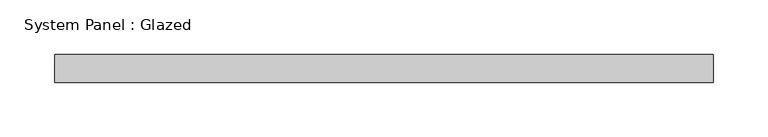
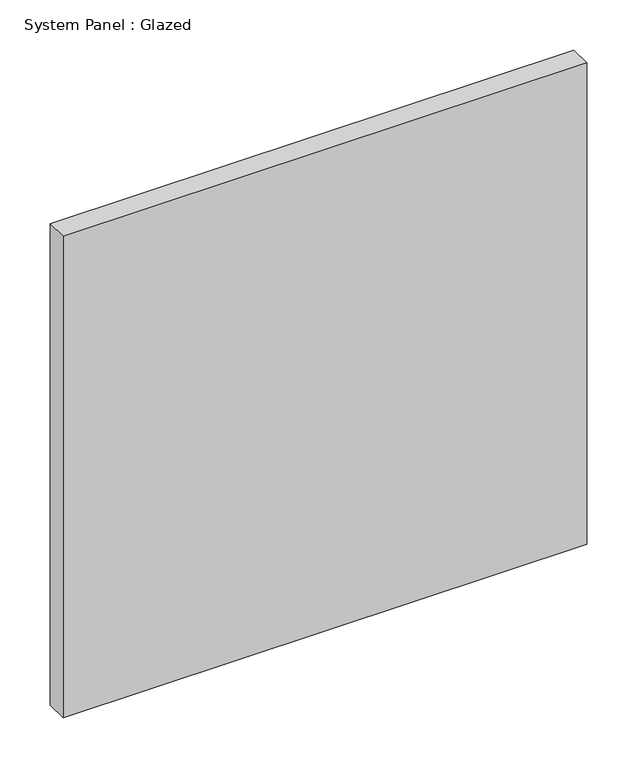
"""IFC4 building model written with IfcOpenShell, lengths in millimetres: plate geometry, System Panel : Glazed."""

from ifc_helpers import new_model, si_unit, origin, origin_with_axes, place, context, project, spatial, polyline, outline, extrude, source, transform, mapped, element, save


def system_panel_glazed_40f47308(model_context):
    return source(origin(), model_context, "Body", "SweptSolid", [
        extrude(outline(polyline([(300.5666667, -12.7), (-300.5666667, -12.7), (-300.5666667, 12.7), (300.5666667, 12.7), (300.5666667, -12.7)])), origin_with_axes(), (0.0, 0.0, 1.0), 584.2),
    ])


if __name__ == "__main__":
    model = new_model("IFC4")
    model_context = context("Model", 3, world=origin())
    ifc_project = project(units=[si_unit("LENGTHUNIT", "METRE", prefix="MILLI")], contexts=[model_context])
    site = spatial("IfcSite", under=ifc_project)
    building = spatial("IfcBuilding", under=site)
    placement = place(None, origin())
    system_panel_glazed_shape = system_panel_glazed_40f47308(model_context)
    element("IfcPlate", 1, ObjectType="System Panel : Glazed", at=placement, inside=building, context=model_context, shape_type="MappedRepresentation", body=[
        mapped(system_panel_glazed_shape, transform((0.0, 0.0, 0.0), x_axis=(1.0, 0.0, 0.0), y_axis=(0.0, 1.0, 0.0), z_axis=(0.0, 0.0, 1.0))),
    ])
    save(model, "model.ifc")
